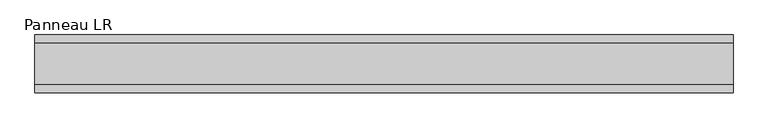
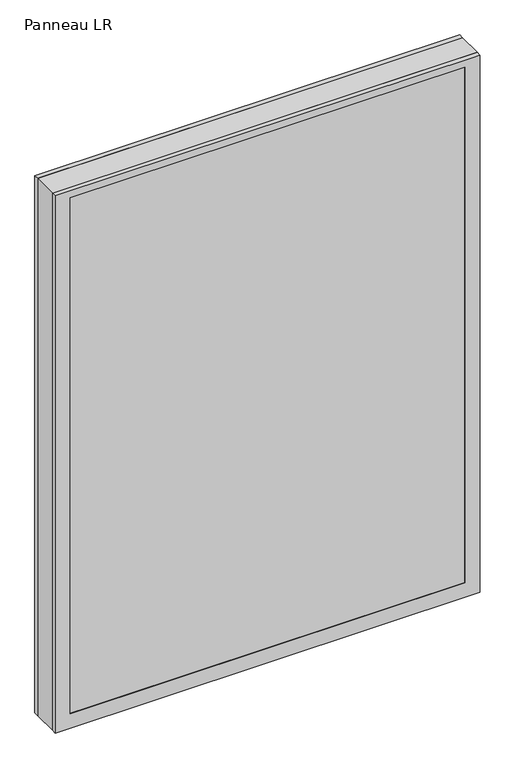
"""IFC4 building model written with IfcOpenShell, lengths in millimetres: plate geometry, Panneau LR."""

from ifc_helpers import new_model, si_unit, frame, origin, place, context, project, spatial, polyline, outline, extrude, faceted_brep, source, transform, mapped, element, save


def panneau_lr_aad59bde(model_context):
    return source(origin(), model_context, "Body", "SolidModel", [
        faceted_brep([(-544.1875001, 33.0, 1453.5), (-544.1875001, 45.0, 1453.5), (-544.1875001, 45.0, 0.0), (-544.1875001, 33.0, 0.0), (544.1875001, 33.0, 0.0), (544.1875001, 45.0, 0.0), (544.1875001, 45.0, 1453.5), (544.1875001, 33.0, 1453.5), (-505.1875001, 45.0, 1434.5), (-505.1875001, 45.0, 39.0), (505.1875001, 45.0, 39.0), (505.1875001, 45.0, 1434.5), (505.1875001, 43.8, 1434.5), (-505.1875001, 43.8, 1434.5), (-520.1875001, 43.8, 1449.5), (-520.1875001, 43.8, 24.0), (520.1875001, 43.8, 24.0), (520.1875001, 43.8, 1449.5), (505.1875001, 43.8, 39.0), (-505.1875001, 43.8, 39.0), (520.1875001, 33.0, 1449.5), (-520.1875001, 33.0, 1449.5), (520.1875001, 33.0, 24.0), (-520.1875001, 33.0, 24.0)], [[[0, 1, 2, 3]], [[4, 5, 6, 7]], [[6, 1, 0, 7]], [[2, 1, 6, 5], [8, 9, 10, 11]], [[8, 11, 12, 13]], [[14, 15, 16, 17], [13, 12, 18, 19]], [[14, 17, 20, 21]], [[0, 3, 4, 7], [20, 22, 23, 21]], [[23, 22, 16, 15]], [[19, 18, 10, 9]], [[4, 3, 2, 5]], [[21, 23, 15, 14]], [[13, 19, 9, 8]], [[18, 12, 11, 10]], [[22, 20, 17, 16]]]),
        faceted_brep([(-544.1875001, -33.0, 0.0), (-544.1875001, -45.0, 0.0), (-544.1875001, -45.0, 1453.5), (-544.1875001, -33.0, 1453.5), (544.1875001, -45.0, 0.0), (544.1875001, -33.0, 0.0), (544.1875001, -33.0, 1453.5), (544.1875001, -45.0, 1453.5), (505.1875001, -45.0, 1434.5), (505.1875001, -45.0, 39.0), (-505.1875001, -45.0, 39.0), (-505.1875001, -45.0, 1434.5), (-520.1875001, -33.0, 1449.5), (-520.1875001, -33.0, 24.0), (520.1875001, -33.0, 24.0), (520.1875001, -33.0, 1449.5), (520.1875001, -43.8, 1449.5), (-520.1875001, -43.8, 1449.5), (520.1875001, -43.8, 24.0), (-520.1875001, -43.8, 24.0), (-505.1875001, -43.8, 1434.5), (-505.1875001, -43.8, 39.0), (505.1875001, -43.8, 39.0), (505.1875001, -43.8, 1434.5)], [[[0, 1, 2, 3]], [[4, 5, 6, 7]], [[2, 1, 4, 7], [8, 9, 10, 11]], [[6, 3, 2, 7]], [[0, 3, 6, 5], [12, 13, 14, 15]], [[12, 15, 16, 17]], [[17, 16, 18, 19], [20, 21, 22, 23]], [[8, 11, 20, 23]], [[10, 9, 22, 21]], [[19, 18, 14, 13]], [[4, 1, 0, 5]], [[11, 10, 21, 20]], [[17, 19, 13, 12]], [[18, 16, 15, 14]], [[9, 8, 23, 22]]]),
        extrude(outline(polyline([(1453.5, 544.1875001), (1453.5, -544.1875001), (0.0, -544.1875001), (0.0, 544.1875001), (1453.5, 544.1875001)]), holes=[polyline([(46.0, -504.1875001), (1427.5, -504.1875001), (1427.5, 504.1875001), (46.0, 504.1875001), (46.0, -504.1875001)])]), frame((0.0, -33.0, 0.0), z_axis=(0.0, 1.0, 0.0), x_axis=(0.0, 0.0, 1.0)), (0.0, 0.0, 1.0), 66.0),
        extrude(outline(polyline([(520.1875001, 37.8), (-520.1875001, 37.8), (-520.1875001, 43.8), (520.1875001, 43.8), (520.1875001, 37.8)])), frame((0.0, 0.0, 24.0), z_axis=(0.0, 0.0, 1.0), x_axis=(1.0, 0.0, 0.0)), (0.0, 0.0, 1.0), 1425.5),
        extrude(outline(polyline([(-520.1875001, -43.8), (-520.1875001, -37.8), (520.1875001, -37.8), (520.1875001, -43.8), (-520.1875001, -43.8)])), frame((0.0, 0.0, 24.0), z_axis=(0.0, 0.0, 1.0), x_axis=(1.0, 0.0, 0.0)), (0.0, 0.0, 1.0), 1425.5),
    ])


if __name__ == "__main__":
    model = new_model("IFC4")
    model_context = context("Model", 3, world=origin())
    ifc_project = project(units=[si_unit("LENGTHUNIT", "METRE", prefix="MILLI")], contexts=[model_context])
    site = spatial("IfcSite", under=ifc_project)
    building = spatial("IfcBuilding", under=site)
    placement = place(None, origin())
    panneau_lr_shape = panneau_lr_aad59bde(model_context)
    element("IfcPlate", 1, ObjectType="Panneau LR", at=placement, inside=building, context=model_context, shape_type="MappedRepresentation", body=[
        mapped(panneau_lr_shape, transform((0.0, 0.0, 0.0), x_axis=(1.0, 0.0, 0.0), y_axis=(0.0, 1.0, 0.0), z_axis=(0.0, 0.0, 1.0))),
    ])
    save(model, "model.ifc")
